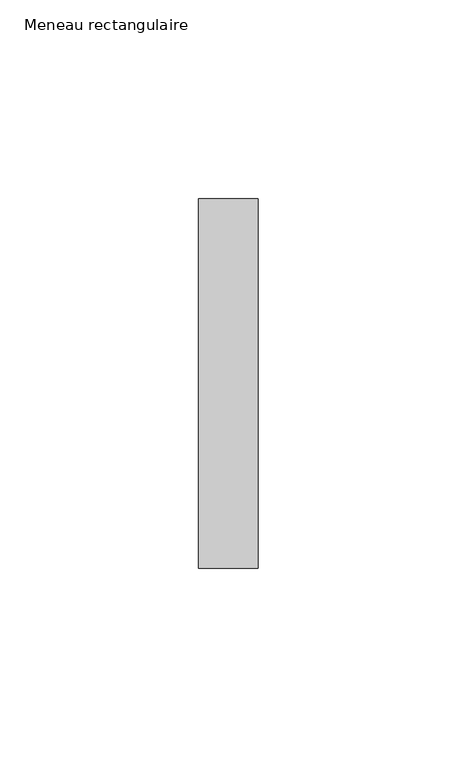
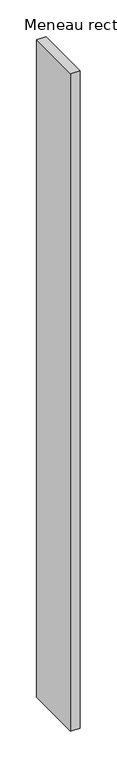
"""IFC4 building model written with IfcOpenShell, lengths in millimetres: member geometry, Meneau rectangulaire."""

import ifcopenshell
import ifcopenshell.guid

model = None  # the IFC model being written
_history = None  # IfcOwnerHistory: only IFC2X3 demands one
_inside = {}  # id of a spatial element -> (the spatial element, [elements in it])
_under = {}  # id of a project, library or spatial element -> (it, [spatial elements below it])
_declared = {}  # id of a project -> (the project, [libraries it declares])
_typed = {}  # id of a type object -> (the type object, [elements of that type])
_made_of = {}  # id of a material, layer set ... -> (it, [elements and type objects made of it])


def new_model(schema):
    """Start an empty IFC model of exactly this schema.

    Asked for "IFC4X3", IfcOpenShell would pick the latest addendum, in which some entities
    have other attributes; the version numbers below select the first issue.
    IFC2X3 requires an IfcOwnerHistory on every rooted entity: one is made here for all.
    """
    global model, _history
    if schema == "IFC4X3":
        model = ifcopenshell.file(schema_version=(4, 3, 0, 0))
    else:
        model = ifcopenshell.file(schema=schema)
    _inside.clear()
    _under.clear()
    _declared.clear()
    _typed.clear()
    _made_of.clear()
    _history = None
    if model.schema == "IFC2X3":
        org = make("IfcOrganization", Name="unknown")
        user = make(
            "IfcPersonAndOrganization",
            ThePerson=make("IfcPerson", FamilyName="unknown"),
            TheOrganization=org,
        )
        app = make(
            "IfcApplication",
            ApplicationDeveloper=org,
            Version="unknown",
            ApplicationFullName="unknown",
            ApplicationIdentifier="unknown",
        )
        _history = make(
            "IfcOwnerHistory",
            OwningUser=user,
            OwningApplication=app,
            ChangeAction="ADDED",
            CreationDate=0,
        )
    return model


def make(cls, **values):
    """One entity of the class cls with the attributes given. An attribute that is None is left unset."""
    return model.create_entity(
        cls, **{name: value for name, value in values.items() if value is not None}
    )


def rooted(cls, **values):
    """An entity with a GlobalId (a new one), such as an element, a storey or a relation."""
    return make(cls, GlobalId=ifcopenshell.guid.new(), OwnerHistory=_history, **values)


def si_unit(unit_type, name, prefix=None):
    """IfcSIUnit, for example si_unit("LENGTHUNIT", "METRE", prefix="MILLI")."""
    return make("IfcSIUnit", UnitType=unit_type, Prefix=prefix, Name=name)


def assignment(units):
    """IfcUnitAssignment: the units of a project."""
    return None if units is None else make("IfcUnitAssignment", Units=units)


def point(xyz):
    """IfcCartesianPoint."""
    return None if xyz is None else make("IfcCartesianPoint", Coordinates=xyz)


def direction(xyz):
    """IfcDirection."""
    return None if xyz is None else make("IfcDirection", DirectionRatios=xyz)


def frame(location, z_axis=None, x_axis=None):
    """IfcAxis2Placement3D, a coordinate frame: its origin and axes. An axis left out is left unset."""
    return make(
        "IfcAxis2Placement3D",
        Location=point(location),
        Axis=direction(z_axis),
        RefDirection=direction(x_axis),
    )


def origin():
    """The frame at (0, 0, 0) with its axes left unset."""
    return frame((0.0, 0.0, 0.0))


def place(relative_to, where):
    """IfcLocalPlacement: puts the frame where relative to a parent placement (None: the world)."""
    return make(
        "IfcLocalPlacement", PlacementRelTo=relative_to, RelativePlacement=where
    )


def context(
    kind, dimensions, precision=None, world=None, true_north=None, identifier=None
):
    """IfcGeometricRepresentationContext, for example the 3D "Model" context."""
    return make(
        "IfcGeometricRepresentationContext",
        ContextIdentifier=identifier,
        ContextType=kind,
        CoordinateSpaceDimension=dimensions,
        Precision=precision,
        WorldCoordinateSystem=world,
        TrueNorth=true_north,
    )


def project(units=None, contexts=None):
    """IfcProject with its units and contexts."""
    return rooted(
        "IfcProject",
        Name="project",
        RepresentationContexts=contexts,
        UnitsInContext=assignment(units),
    )


def spatial(cls, under=None, at=None, **own):
    """A site, building, storey or space (cls), placed at a placement, below another one or the project."""
    s = rooted(cls, ObjectPlacement=at, **own)
    if under is not None:
        _under.setdefault(under.id(), (under, []))[1].append(s)
    return s


def polyline(points):
    """IfcPolyline through the points."""
    return make("IfcPolyline", Points=[point(p) for p in points])


def outline(outer, holes=None, kind="AREA"):
    """IfcArbitraryClosedProfileDef: a profile drawn as a closed curve; with holes, ...WithVoids."""
    if holes is None:
        return make("IfcArbitraryClosedProfileDef", ProfileType=kind, OuterCurve=outer)
    return make(
        "IfcArbitraryProfileDefWithVoids",
        ProfileType=kind,
        OuterCurve=outer,
        InnerCurves=holes,
    )


def extrude(swept, where, along, depth):
    """IfcExtrudedAreaSolid: the profile swept, set in the frame where, extruded along a direction by depth."""
    return make(
        "IfcExtrudedAreaSolid",
        SweptArea=swept,
        Position=where,
        ExtrudedDirection=direction(along),
        Depth=depth,
    )


def shape(context_of_items, identifier, shape_type, items):
    """IfcShapeRepresentation: the items that make up one representation, for example the "Body"."""
    return make(
        "IfcShapeRepresentation",
        ContextOfItems=context_of_items,
        RepresentationIdentifier=identifier,
        RepresentationType=shape_type,
        Items=items,
    )


def source(mapping_origin, context_of_items, identifier, shape_type, items):
    """IfcRepresentationMap: a shape defined once, which mapped items show again and again."""
    return make(
        "IfcRepresentationMap",
        MappingOrigin=mapping_origin,
        MappedRepresentation=shape(context_of_items, identifier, shape_type, items),
    )


def transform(
    local_origin,
    x_axis=None,
    y_axis=None,
    z_axis=None,
    scale=None,
    scale2=None,
    scale3=None,
    uniform=True,
):
    """IfcCartesianTransformationOperator3D, or its non-uniform kind. x_axis, y_axis, z_axis: its Axis1, 2, 3."""
    if uniform:
        return make(
            "IfcCartesianTransformationOperator3D",
            Axis1=direction(x_axis),
            Axis2=direction(y_axis),
            LocalOrigin=point(local_origin),
            Scale=scale,
            Axis3=direction(z_axis),
        )
    return make(
        "IfcCartesianTransformationOperator3DnonUniform",
        Axis1=direction(x_axis),
        Axis2=direction(y_axis),
        LocalOrigin=point(local_origin),
        Scale=scale,
        Axis3=direction(z_axis),
        Scale2=scale2,
        Scale3=scale3,
    )


def mapped(mapping_source, mapping_target):
    """IfcMappedItem: shows the shape of a source again, moved by a transform."""
    return make(
        "IfcMappedItem", MappingSource=mapping_source, MappingTarget=mapping_target
    )


def made_of(thing, what):
    """Note that an element or type object is made of a material, layer set ...; save() writes the relation."""
    if what is not None:
        _made_of.setdefault(what.id(), (what, []))[1].append(thing)
    return thing


def element(
    cls,
    number,
    at=None,
    inside=None,
    cuts=None,
    type_object=None,
    material=None,
    context=None,
    identifier="Body",
    shape_type=None,
    held_by="IfcProductDefinitionShape",
    body=None,
    shapes=None,
    **own,
):
    """One element of the class cls, such as IfcWall. Its Tag is "e" and its number.

    at: its placement. inside: the storey or other place that contains it. cuts: it is an
    opening in that element (IfcRelVoidsElement). A single representation is given by context,
    identifier, shape_type and body (its items); several are given by shapes. held_by: the class
    of the entity that holds the representations. save() writes the other relations.
    """
    e = rooted(cls, Tag="e%d" % number, ObjectPlacement=at, **own)
    if body is not None:
        shapes = [shape(context, identifier, shape_type, body)]
    if shapes is not None:
        e.Representation = make(held_by, Representations=shapes)
    if inside is not None:
        _inside.setdefault(inside.id(), (inside, []))[1].append(e)
    if cuts is not None:
        rooted(
            "IfcRelVoidsElement", RelatingBuildingElement=cuts, RelatedOpeningElement=e
        )
    if type_object is not None:
        _typed.setdefault(type_object.id(), (type_object, []))[1].append(e)
    return made_of(e, material)


def aggregate(whole, parts):
    """IfcRelAggregates: a whole, such as a stair, and the parts it consists of."""
    return rooted("IfcRelAggregates", RelatingObject=whole, RelatedObjects=parts)


def save(model, path):
    """Write the relations noted so far, then the file.

    IfcRelAggregates (storeys below a building ...), IfcRelContainedInSpatialStructure (elements
    in a storey), IfcRelDefinesByType, IfcRelAssociatesMaterial and IfcRelDeclares: one each for
    every whole, place, type object, material and project.
    """
    for whole, parts in _under.values():
        aggregate(whole, parts)
    for where, things in _inside.values():
        rooted(
            "IfcRelContainedInSpatialStructure",
            RelatedElements=things,
            RelatingStructure=where,
        )
    for kind, things in _typed.values():
        rooted("IfcRelDefinesByType", RelatedObjects=things, RelatingType=kind)
    for what, things in _made_of.values():
        rooted("IfcRelAssociatesMaterial", RelatedObjects=things, RelatingMaterial=what)
    for by, libraries in _declared.values():
        rooted("IfcRelDeclares", RelatingContext=by, RelatedDefinitions=libraries)
    model.write(path)


def meneau_rectangulaire_4a1130a0(model_context):
    return source(origin(), model_context, "Body", "SweptSolid", [
        extrude(outline(polyline([(0.0, 46.5), (0.0, -46.5), (-15.0, -46.5), (-15.0, 46.5), (0.0, 46.5)])), frame((0.0, 0.0, -1092.7499998), z_axis=(0.0, 0.0, 1.0), x_axis=(1.0, 0.0, 0.0)), (0.0, 0.0, 1.0), 1092.7499998),
    ])


if __name__ == "__main__":
    model = new_model("IFC4")
    model_context = context("Model", 3, world=origin())
    ifc_project = project(units=[si_unit("LENGTHUNIT", "METRE", prefix="MILLI")], contexts=[model_context])
    site = spatial("IfcSite", under=ifc_project)
    building = spatial("IfcBuilding", under=site)
    placement = place(None, origin())
    meneau_rectangulaire_shape = meneau_rectangulaire_4a1130a0(model_context)
    element("IfcMember", 1, ObjectType="Meneau rectangulaire", at=placement, inside=building, context=model_context, shape_type="MappedRepresentation", body=[
        mapped(meneau_rectangulaire_shape, transform((0.0, 0.0, 0.0), x_axis=(1.0, 0.0, 0.0), y_axis=(0.0, 1.0, 0.0), z_axis=(0.0, 0.0, 1.0))),
    ])
    save(model, "model.ifc")
